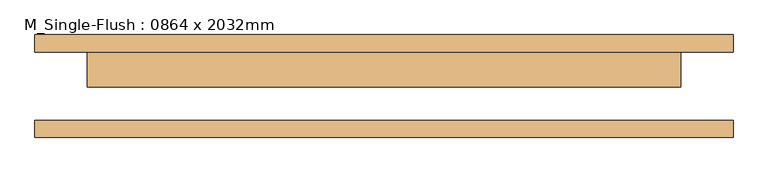
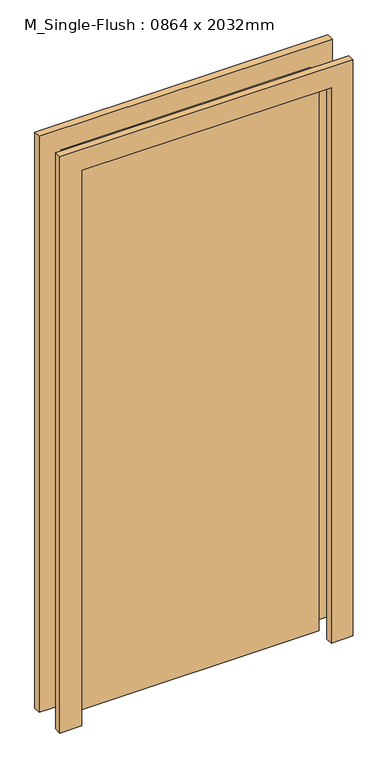
"""IFC4 building model written with IfcOpenShell, lengths in millimetres: door geometry, M_Single-Flush : 0864 x 2032mm."""

from ifc_helpers import new_model, si_unit, frame, origin, origin_with_axes, place, context, project, spatial, polyline, outline, extrude, source, transform, mapped, element, save


def m_single_flush_0864_x_2032mm_252f296b(model_context):
    return source(origin(), model_context, "Body", "SweptSolid", [
        extrude(outline(polyline([(2108.0, -508.0), (0.0, -508.0), (0.0, -432.0), (2032.0, -432.0), (2032.0, 432.0), (0.0, 432.0), (0.0, 508.0), (2108.0, 508.0), (2108.0, -508.0)])), frame((0.0, 50.0, 0.0), z_axis=(0.0, 1.0, 0.0), x_axis=(0.0, 0.0, 1.0)), (0.0, 0.0, 1.0), 25.0),
        extrude(outline(polyline([(2108.0, 508.0), (2108.0, -508.0), (0.0, -508.0), (0.0, -432.0), (2032.0, -432.0), (2032.0, 432.0), (0.0, 432.0), (0.0, 508.0), (2108.0, 508.0)])), frame((0.0, -75.0, 0.0), z_axis=(0.0, 1.0, 0.0), x_axis=(0.0, 0.0, 1.0)), (0.0, 0.0, 1.0), 25.0),
        extrude(outline(polyline([(432.0, -1.0), (-432.0, -1.0), (-432.0, 50.0), (432.0, 50.0), (432.0, -1.0)])), origin_with_axes(), (0.0, 0.0, 1.0), 2032.0),
    ])


if __name__ == "__main__":
    model = new_model("IFC4")
    model_context = context("Model", 3, world=origin())
    ifc_project = project(units=[si_unit("LENGTHUNIT", "METRE", prefix="MILLI")], contexts=[model_context])
    site = spatial("IfcSite", under=ifc_project)
    building = spatial("IfcBuilding", under=site)
    placement = place(None, origin())
    m_single_flush_0864_x_2032mm_shape = m_single_flush_0864_x_2032mm_252f296b(model_context)
    element("IfcDoor", 1, ObjectType="M_Single-Flush : 0864 x 2032mm", at=placement, inside=building, context=model_context, shape_type="MappedRepresentation", body=[
        mapped(m_single_flush_0864_x_2032mm_shape, transform((0.0, 0.0, 0.0), x_axis=(1.0, 0.0, 0.0), y_axis=(0.0, 1.0, 0.0), z_axis=(0.0, 0.0, 1.0))),
    ])
    save(model, "model.ifc")
